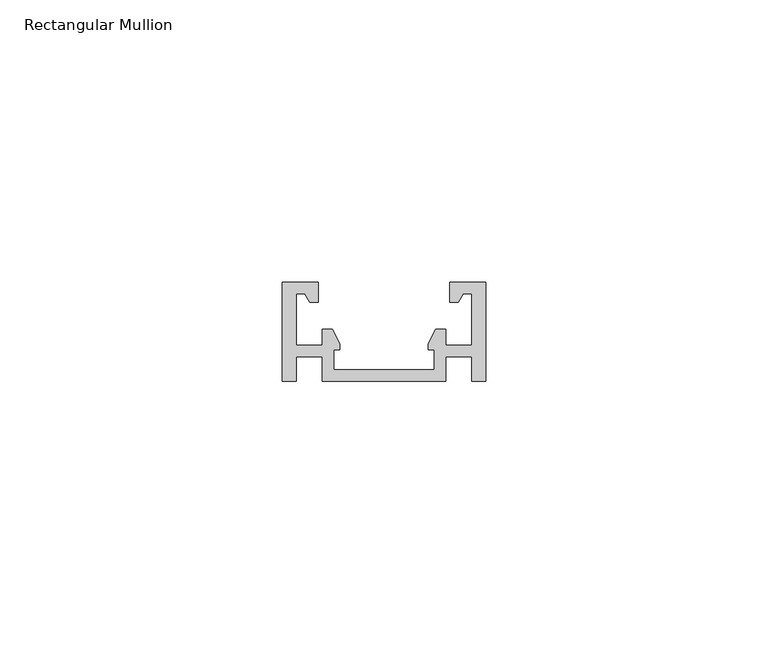
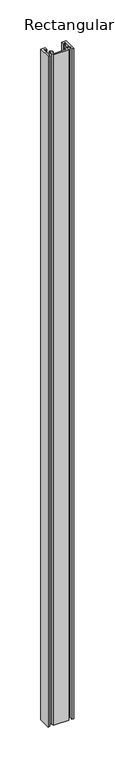
"""IFC4 building model written with IfcOpenShell, lengths in millimetres: member geometry, Rectangular Mullion."""

from ifc_helpers import new_model, si_unit, frame, origin, place, context, project, spatial, polyline, outline, extrude, source, transform, mapped, element, save


def rectangular_mullion_4fff3f4b(model_context):
    return source(origin(), model_context, "Body", "SweptSolid", [
        extrude(outline(polyline([(-8.9, 2.0), (8.9, 2.0), (8.9, 5.6), (7.8, 5.6), (7.8, 6.6), (9.1485318, 9.2), (10.9, 9.2), (10.9, 6.35), (15.5, 6.35), (15.5, 15.5054985), (14.0031746, 15.5054985), (13.1339746, 14.0), (11.6, 14.0), (11.6, 17.5), (18.0, 17.5), (18.0, 0.0), (15.5, 0.0), (15.5, 4.35), (10.9, 4.35), (10.9, 0.0), (-10.9, 0.0), (-10.9, 4.35), (-15.5, 4.35), (-15.5, 0.0), (-18.0, 0.0), (-18.0, 17.5), (-11.6, 17.5), (-11.6, 14.0), (-13.1339746, 14.0), (-14.0031746, 15.5054985), (-15.5, 15.5054985), (-15.5, 6.35), (-10.9, 6.35), (-10.9, 9.2), (-9.1485318, 9.2), (-7.8, 6.6), (-7.8, 5.6), (-8.9, 5.6), (-8.9, 2.0)])), frame((0.0, 0.0, -1000.0), z_axis=(0.0, 0.0, 1.0), x_axis=(1.0, 0.0, 0.0)), (0.0, 0.0, 1.0), 1000.0),
    ])


if __name__ == "__main__":
    model = new_model("IFC4")
    model_context = context("Model", 3, world=origin())
    ifc_project = project(units=[si_unit("LENGTHUNIT", "METRE", prefix="MILLI")], contexts=[model_context])
    site = spatial("IfcSite", under=ifc_project)
    building = spatial("IfcBuilding", under=site)
    placement = place(None, origin())
    rectangular_mullion_shape = rectangular_mullion_4fff3f4b(model_context)
    element("IfcMember", 1, ObjectType="Rectangular Mullion", at=placement, inside=building, context=model_context, shape_type="MappedRepresentation", body=[
        mapped(rectangular_mullion_shape, transform((0.0, 0.0, 0.0), x_axis=(1.0, 0.0, 0.0), y_axis=(0.0, 1.0, 0.0), z_axis=(0.0, 0.0, 1.0))),
    ])
    save(model, "model.ifc")
